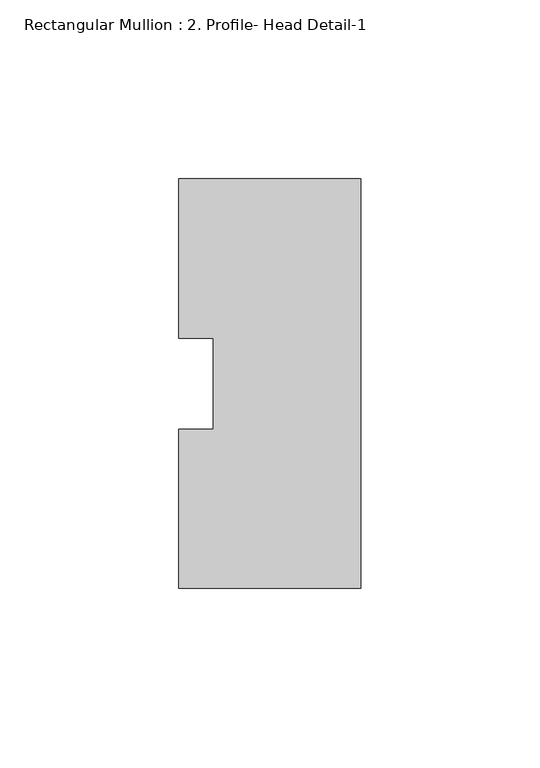
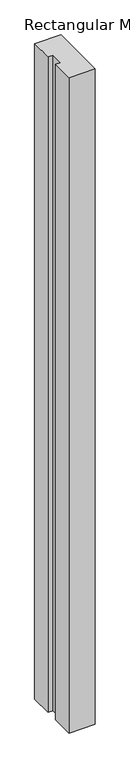
"""IFC4 building model written with IfcOpenShell, lengths in millimetres: member geometry, Rectangular Mullion : 2. Profile- Head Detail-1."""

from ifc_helpers import new_model, si_unit, frame, origin, place, context, project, spatial, polyline, outline, extrude, source, transform, mapped, element, save


def rectangular_mullion_2_profile_head_detail_1_2b518049(model_context):
    return source(origin(), model_context, "Body", "SweptSolid", [
        extrude(outline(polyline([(0.0, -57.1259257), (-50.8, -57.1259257), (-50.8, -12.7309283), (-41.2690469, -12.7309283), (-41.2690469, 12.75677), (-50.8, 12.75677), (-50.8, 57.1740743), (0.0, 57.1740743), (0.0, -57.1259257)])), frame((0.0, 0.0, -1340.0293076), z_axis=(0.0, 0.0, 1.0), x_axis=(1.0, 0.0, 0.0)), (0.0, 0.0, 1.0), 1340.0293076),
    ])


if __name__ == "__main__":
    model = new_model("IFC4")
    model_context = context("Model", 3, world=origin())
    ifc_project = project(units=[si_unit("LENGTHUNIT", "METRE", prefix="MILLI")], contexts=[model_context])
    site = spatial("IfcSite", under=ifc_project)
    building = spatial("IfcBuilding", under=site)
    placement = place(None, origin())
    rectangular_mullion_2_profile_head_detail_1_shape = rectangular_mullion_2_profile_head_detail_1_2b518049(model_context)
    element("IfcMember", 1, ObjectType="Rectangular Mullion : 2. Profile- Head Detail-1", at=placement, inside=building, context=model_context, shape_type="MappedRepresentation", body=[
        mapped(rectangular_mullion_2_profile_head_detail_1_shape, transform((0.0, 0.0, 0.0), x_axis=(1.0, 0.0, 0.0), y_axis=(0.0, 1.0, 0.0), z_axis=(0.0, 0.0, 1.0))),
    ])
    save(model, "model.ifc")
